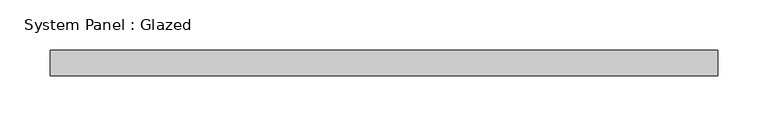
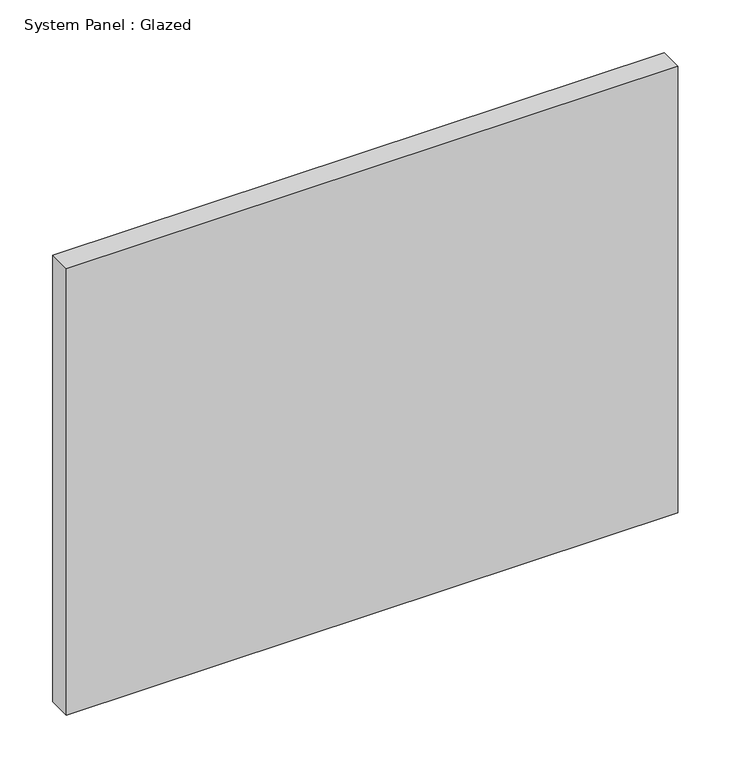
"""IFC4 building model written with IfcOpenShell, lengths in millimetres: plate geometry, System Panel : Glazed."""

from ifc_helpers import new_model, si_unit, origin, origin_with_axes, place, context, project, spatial, polyline, outline, extrude, source, transform, mapped, element, save


def system_panel_glazed_d9a1dd24(model_context):
    return source(origin(), model_context, "Body", "SweptSolid", [
        extrude(outline(polyline([(333.375, 19.05), (-333.375, 19.05), (-333.375, 44.45), (333.375, 44.45), (333.375, 19.05)])), origin_with_axes(), (0.0, 0.0, 1.0), 514.35),
    ])


if __name__ == "__main__":
    model = new_model("IFC4")
    model_context = context("Model", 3, world=origin())
    ifc_project = project(units=[si_unit("LENGTHUNIT", "METRE", prefix="MILLI")], contexts=[model_context])
    site = spatial("IfcSite", under=ifc_project)
    building = spatial("IfcBuilding", under=site)
    placement = place(None, origin())
    system_panel_glazed_shape = system_panel_glazed_d9a1dd24(model_context)
    element("IfcPlate", 1, ObjectType="System Panel : Glazed", at=placement, inside=building, context=model_context, shape_type="MappedRepresentation", body=[
        mapped(system_panel_glazed_shape, transform((0.0, 0.0, 0.0), x_axis=(1.0, 0.0, 0.0), y_axis=(0.0, 1.0, 0.0), z_axis=(0.0, 0.0, 1.0))),
    ])
    save(model, "model.ifc")
